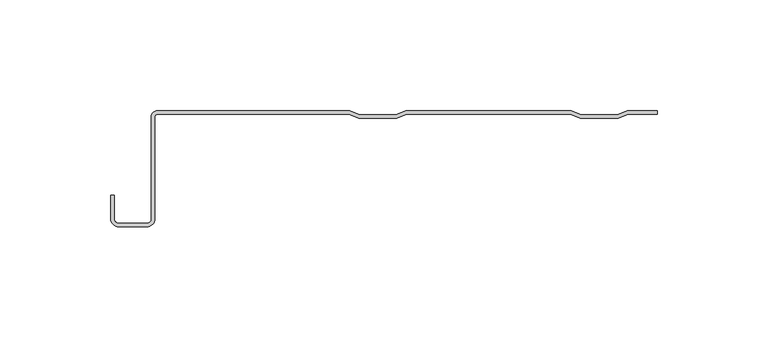
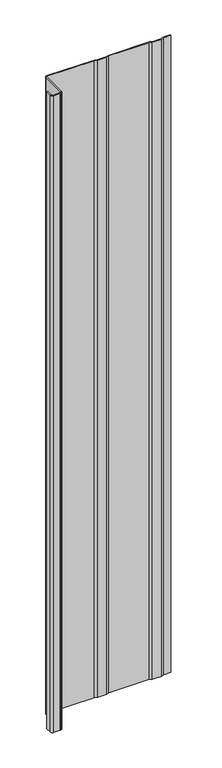
"""IFC4 building model written with IfcOpenShell, lengths in millimetres: plate geometry."""

from ifc_helpers import new_model, si_unit, point, frame_2d, origin, origin_with_axes, place, context, project, spatial, polyline, circle_curve, trimmed, segment, composite_curve, outline, extrude, source, transform, mapped, element, save


def plate_c79dbbf9(model_context):
    return source(origin(), model_context, "Body", "SweptSolid", [
        extrude(outline(composite_curve([segment(polyline([(-112.152458, -2.7400216), (-112.152458, -48.8784494)]), True, "CONTINUOUS"), segment(trimmed(circle_curve(frame_2d((-115.7834285, -48.8784494)), 3.6309705), [point((-112.152458, -48.8784494))], [point((-115.7834285, -52.5094199))], False, "CARTESIAN"), True, "CONTINUOUS"), segment(polyline([(-115.7834285, -52.5094199), (-128.5112707, -52.5094199)]), True, "CONTINUOUS"), segment(trimmed(circle_curve(frame_2d((-128.5112707, -48.8784494)), 3.6309705), [point((-128.5112707, -52.5094199))], [point((-132.1422412, -48.8784494))], False, "CARTESIAN"), True, "CONTINUOUS"), segment(polyline([(-132.1422412, -48.8784494), (-132.1422412, -38.1835265), (-130.5441899, -38.1835265), (-130.5441899, -48.8784494)]), True, "CONTINUOUS"), segment(trimmed(circle_curve(frame_2d((-128.5112707, -48.8784494)), 2.0329192), [point((-130.5441899, -48.8784494))], [point((-128.5112707, -50.9113686))], True, "CARTESIAN"), True, "CONTINUOUS"), segment(polyline([(-128.5112707, -50.9113686), (-115.7834285, -50.9113686)]), True, "CONTINUOUS"), segment(trimmed(circle_curve(frame_2d((-115.7834285, -48.8784494)), 2.0329192), [point((-115.7834285, -50.9113686))], [point((-113.7505093, -48.8784494))], True, "CARTESIAN"), True, "CONTINUOUS"), segment(polyline([(-113.7505093, -48.8784494), (-113.7505093, -2.7400216)]), True, "CONTINUOUS"), segment(trimmed(circle_curve(frame_2d((-111.0104877, -2.7400216)), 2.7400216), [point((-113.7505093, -2.7400216))], [point((-111.0104877, 0.0))], False, "CARTESIAN"), True, "CONTINUOUS"), segment(polyline([(-111.0104877, 0.0), (-24.0282217, 0.0), (-19.6035591, -1.7698651), (-3.221081, -1.7698651), (1.2035816, 0.0), (76.0398391, 0.0), (80.4645017, -1.7698651), (96.8469798, -1.7698651), (101.2716424, 0.0), (114.9042607, 0.0), (114.9042607, -1.5980513), (101.8144765, -1.5980513), (97.1715499, -3.455222), (80.1399316, -3.455222), (75.497005, -1.5980513), (1.7464157, -1.5980513), (-2.8965109, -3.455222), (-19.9281292, -3.455222), (-24.5710558, -1.5980513), (-111.0104877, -1.5980513)]), True, "CONTINUOUS"), segment(trimmed(circle_curve(frame_2d((-111.0104877, -2.7400216)), 1.1419703), [point((-111.0104877, -1.5980513))], [point((-112.152458, -2.7400216))], True, "CARTESIAN"), True, "CONTINUOUS")], self_intersect=False)), origin_with_axes(), (0.0, 0.0, 1.0), 1228.3559792),
    ])


if __name__ == "__main__":
    model = new_model("IFC4")
    model_context = context("Model", 3, world=origin())
    ifc_project = project(units=[si_unit("LENGTHUNIT", "METRE", prefix="MILLI")], contexts=[model_context])
    site = spatial("IfcSite", under=ifc_project)
    building = spatial("IfcBuilding", under=site)
    placement = place(None, origin())
    plate_shape = plate_c79dbbf9(model_context)
    element("IfcPlate", 1, at=placement, inside=building, context=model_context, shape_type="MappedRepresentation", body=[
        mapped(plate_shape, transform((0.0, 0.0, 0.0), x_axis=(1.0, 0.0, 0.0), y_axis=(0.0, 1.0, 0.0), z_axis=(0.0, 0.0, 1.0))),
    ])
    save(model, "model.ifc")
